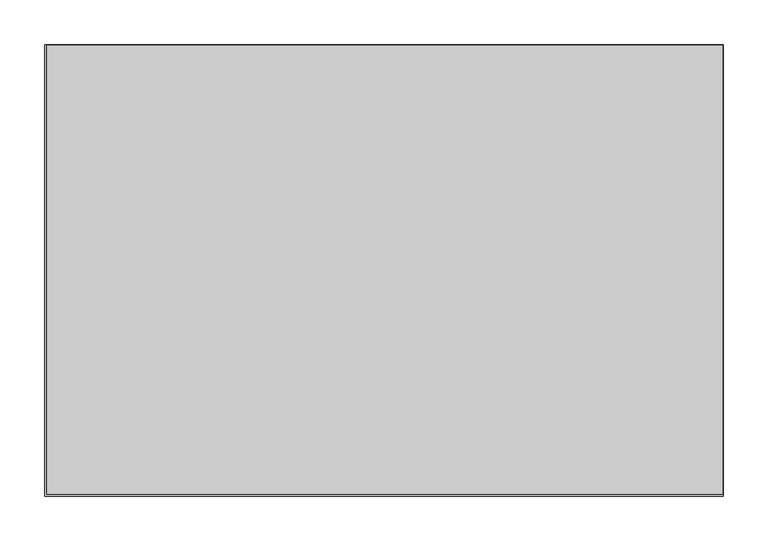
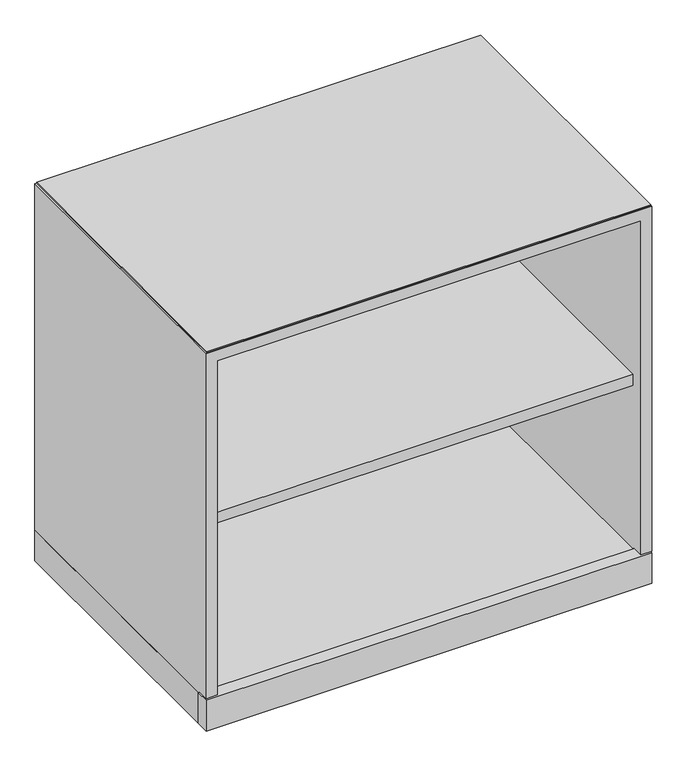
"""IFC4 building model written with IfcOpenShell, lengths in millimetres: furniture geometry."""

from ifc_helpers import new_model, si_unit, frame, origin, origin_with_axes, place, context, project, spatial, polyline, outline, extrude, faceted_brep, source, transform, mapped, element, save


def furniture_f3282d39(model_context):
    return source(origin(), model_context, "Body", "SolidModel", [
        extrude(outline(polyline([(759.714, -502.92), (3.8735, -502.92), (3.8735, -0.7874), (759.714, -0.7874), (759.714, -502.92)])), frame((0.0, 0.0, 682.625), z_axis=(0.0, 0.0, 1.0), x_axis=(1.0, 0.0, 0.0)), (0.0, 0.0, 1.0), 1.905),
        extrude(outline(polyline([(760.4125, -481.7618), (760.4125, -504.825), (1.5875, -504.825), (1.5875, -481.7618), (760.4125, -481.7618)])), frame((0.0, 0.0, 3.5814), z_axis=(0.0, 0.0, 1.0), x_axis=(1.0, 0.0, 0.0)), (0.0, 0.0, 1.0), 55.1688),
        extrude(outline(polyline([(46.1772, -26.1874), (61.8363, -35.2281856), (61.8363, -53.3097568), (46.1772, -62.3505424), (30.5181, -53.3097568), (30.5181, -35.2281856), (46.1772, -26.1874)])), origin_with_axes(), (0.0, 0.0, 1.0), 8.4328),
        extrude(outline(polyline([(46.1772, -478.6376), (30.5181, -469.5968144), (30.5181, -451.5152432), (46.1772, -442.4744576), (61.8363, -451.5152432), (61.8363, -469.5968144), (46.1772, -478.6376)])), origin_with_axes(), (0.0, 0.0, 1.0), 8.4328),
        extrude(outline(polyline([(715.8228, -26.1874), (731.4819, -35.2281856), (731.4819, -53.3097568), (715.8228, -62.3505424), (700.1637, -53.3097568), (700.1637, -35.2281856), (715.8228, -26.1874)])), origin_with_axes(), (0.0, 0.0, 1.0), 8.4328),
        extrude(outline(polyline([(715.8228, -478.6376), (700.1637, -469.5968144), (700.1637, -451.5152432), (715.8228, -442.4744576), (731.4819, -451.5152432), (731.4819, -469.5968144), (715.8228, -478.6376)])), origin_with_axes(), (0.0, 0.0, 1.0), 8.4328),
        extrude(outline(polyline([(741.1085, -482.346), (20.8915, -482.346), (20.8915, -22.225), (741.1085, -22.225), (741.1085, -482.346)])), frame((0.0, 0.0, 353.5934), z_axis=(0.0, 0.0, 1.0), x_axis=(1.0, 0.0, 0.0)), (0.0, 0.0, 1.0), 19.304),
        extrude(outline(polyline([(760.4125, 0.0), (760.4125, -481.7618), (1.5875, -481.7618), (1.5875, 0.0), (760.4125, 0.0)])), frame((0.0, 0.0, 3.5814), z_axis=(0.0, 0.0, 1.0), x_axis=(1.0, 0.0, 0.0)), (0.0, 0.0, 1.0), 55.1688),
        faceted_brep([(760.4125, -504.825, 682.625), (1.5875, -504.825, 682.625), (1.5875, -504.825, 61.9252), (20.8915, -504.825, 61.9252), (20.8915, -504.825, 663.321), (741.1085, -504.825, 663.321), (741.1085, -504.825, 61.9252), (760.4125, -504.825, 61.9252), (760.4125, 0.0, 682.625), (760.4125, 0.0, 58.7502), (1.5875, 0.0, 58.7502), (1.5875, 0.0, 682.625), (1.5875, -482.4645506, 58.7502), (1.5875, -482.4645506, 61.9252), (760.4125, -482.4645506, 58.7502), (741.1085, -482.4645506, 58.7502), (741.1085, -22.225, 58.7502), (20.8915, -22.225, 58.7502), (20.8915, -482.4645506, 58.7502), (760.4125, -482.4645506, 61.9252), (741.1085, -22.225, 663.321), (20.8915, -22.225, 663.321), (20.8915, -482.4645506, 61.9252), (741.1085, -482.4645506, 61.9252)], [[[0, 1, 2, 3, 4, 5, 6, 7]], [[8, 9, 10, 11]], [[1, 0, 8, 11]], [[11, 10, 12, 13, 2, 1]], [[10, 9, 14, 15, 16, 17, 18, 12]], [[9, 8, 0, 7, 19, 14]], [[20, 21, 17, 16]], [[21, 20, 5, 4]], [[21, 4, 3, 22, 18, 17]], [[5, 20, 16, 15, 23, 6]], [[22, 13, 12, 18]], [[19, 23, 15, 14]], [[13, 22, 3, 2]], [[23, 19, 7, 6]]]),
    ])


if __name__ == "__main__":
    model = new_model("IFC4")
    model_context = context("Model", 3, world=origin())
    ifc_project = project(units=[si_unit("LENGTHUNIT", "METRE", prefix="MILLI")], contexts=[model_context])
    site = spatial("IfcSite", under=ifc_project)
    building = spatial("IfcBuilding", under=site)
    placement = place(None, origin())
    furniture_shape = furniture_f3282d39(model_context)
    element("IfcFurniture", 1, at=placement, inside=building, context=model_context, shape_type="MappedRepresentation", body=[
        mapped(furniture_shape, transform((0.0, 0.0, 0.0), x_axis=(1.0, 0.0, 0.0), y_axis=(0.0, 1.0, 0.0), z_axis=(0.0, 0.0, 1.0))),
    ])
    save(model, "model.ifc")
